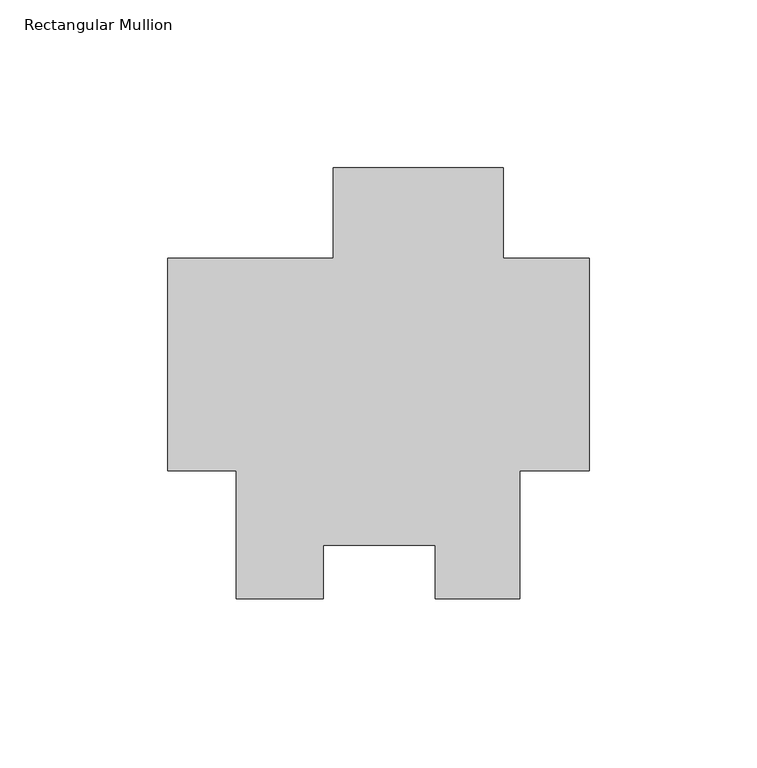
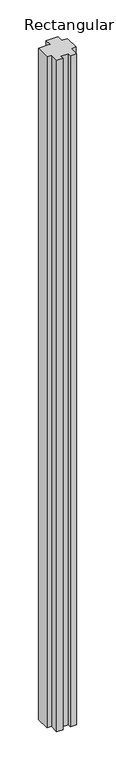
"""IFC4 building model written with IfcOpenShell, lengths in millimetres: member geometry, Rectangular Mullion."""

from ifc_helpers import new_model, si_unit, frame, origin, place, context, project, spatial, polyline, outline, extrude, source, transform, mapped, element, save


def rectangular_mullion_63d30bf3(model_context):
    return source(origin(), model_context, "Body", "SweptSolid", [
        extrude(outline(polyline([(-25.577927, 42.05605), (-25.577927, 15.08125), (0.0, 15.08125), (0.0, -48.41875), (-20.6735973, -48.41875), (-20.6735973, -86.51875), (-45.9670891, -86.51875), (-45.9670891, -70.6288534), (-79.3689318, -70.6288534), (-79.3689318, -86.5419534), (-105.2447888, -86.5419534), (-105.2447888, -48.41875), (-125.7808, -48.41875), (-125.7808, 15.08125), (-76.377927, 15.08125), (-76.377927, 42.05605), (-25.577927, 42.05605)])), frame((0.0, 0.0, -3048.0), z_axis=(0.0, 0.0, 1.0), x_axis=(1.0, 0.0, 0.0)), (0.0, 0.0, 1.0), 3048.0),
    ])


if __name__ == "__main__":
    model = new_model("IFC4")
    model_context = context("Model", 3, world=origin())
    ifc_project = project(units=[si_unit("LENGTHUNIT", "METRE", prefix="MILLI")], contexts=[model_context])
    site = spatial("IfcSite", under=ifc_project)
    building = spatial("IfcBuilding", under=site)
    placement = place(None, origin())
    rectangular_mullion_shape = rectangular_mullion_63d30bf3(model_context)
    element("IfcMember", 1, ObjectType="Rectangular Mullion", at=placement, inside=building, context=model_context, shape_type="MappedRepresentation", body=[
        mapped(rectangular_mullion_shape, transform((0.0, 0.0, 0.0), x_axis=(1.0, 0.0, 0.0), y_axis=(0.0, 1.0, 0.0), z_axis=(0.0, 0.0, 1.0))),
    ])
    save(model, "model.ifc")
